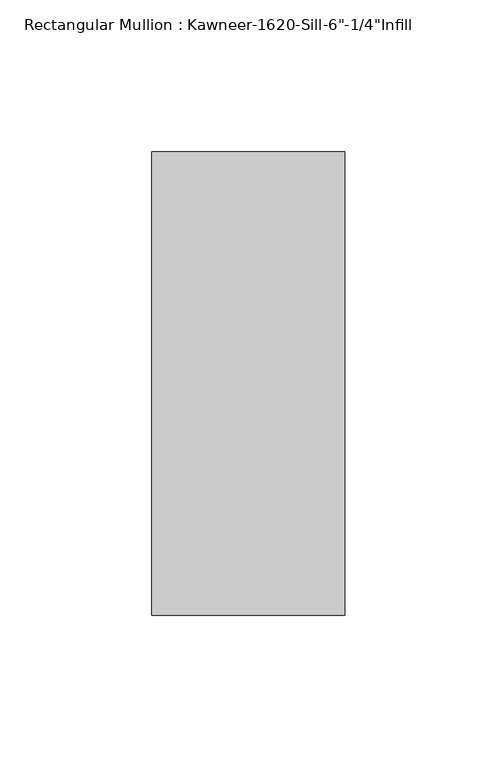
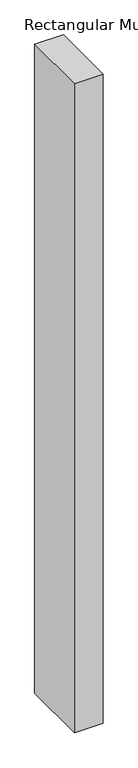
"""IFC4 building model written with IfcOpenShell, lengths in millimetres: member geometry."""

import ifcopenshell
import ifcopenshell.guid

model = None  # the IFC model being written
_history = None  # IfcOwnerHistory: only IFC2X3 demands one
_inside = {}  # id of a spatial element -> (the spatial element, [elements in it])
_under = {}  # id of a project, library or spatial element -> (it, [spatial elements below it])
_declared = {}  # id of a project -> (the project, [libraries it declares])
_typed = {}  # id of a type object -> (the type object, [elements of that type])
_made_of = {}  # id of a material, layer set ... -> (it, [elements and type objects made of it])


def new_model(schema):
    """Start an empty IFC model of exactly this schema.

    Asked for "IFC4X3", IfcOpenShell would pick the latest addendum, in which some entities
    have other attributes; the version numbers below select the first issue.
    IFC2X3 requires an IfcOwnerHistory on every rooted entity: one is made here for all.
    """
    global model, _history
    if schema == "IFC4X3":
        model = ifcopenshell.file(schema_version=(4, 3, 0, 0))
    else:
        model = ifcopenshell.file(schema=schema)
    _inside.clear()
    _under.clear()
    _declared.clear()
    _typed.clear()
    _made_of.clear()
    _history = None
    if model.schema == "IFC2X3":
        org = make("IfcOrganization", Name="unknown")
        user = make(
            "IfcPersonAndOrganization",
            ThePerson=make("IfcPerson", FamilyName="unknown"),
            TheOrganization=org,
        )
        app = make(
            "IfcApplication",
            ApplicationDeveloper=org,
            Version="unknown",
            ApplicationFullName="unknown",
            ApplicationIdentifier="unknown",
        )
        _history = make(
            "IfcOwnerHistory",
            OwningUser=user,
            OwningApplication=app,
            ChangeAction="ADDED",
            CreationDate=0,
        )
    return model


def make(cls, **values):
    """One entity of the class cls with the attributes given. An attribute that is None is left unset."""
    return model.create_entity(
        cls, **{name: value for name, value in values.items() if value is not None}
    )


def rooted(cls, **values):
    """An entity with a GlobalId (a new one), such as an element, a storey or a relation."""
    return make(cls, GlobalId=ifcopenshell.guid.new(), OwnerHistory=_history, **values)


def si_unit(unit_type, name, prefix=None):
    """IfcSIUnit, for example si_unit("LENGTHUNIT", "METRE", prefix="MILLI")."""
    return make("IfcSIUnit", UnitType=unit_type, Prefix=prefix, Name=name)


def assignment(units):
    """IfcUnitAssignment: the units of a project."""
    return None if units is None else make("IfcUnitAssignment", Units=units)


def point(xyz):
    """IfcCartesianPoint."""
    return None if xyz is None else make("IfcCartesianPoint", Coordinates=xyz)


def direction(xyz):
    """IfcDirection."""
    return None if xyz is None else make("IfcDirection", DirectionRatios=xyz)


def frame(location, z_axis=None, x_axis=None):
    """IfcAxis2Placement3D, a coordinate frame: its origin and axes. An axis left out is left unset."""
    return make(
        "IfcAxis2Placement3D",
        Location=point(location),
        Axis=direction(z_axis),
        RefDirection=direction(x_axis),
    )


def origin():
    """The frame at (0, 0, 0) with its axes left unset."""
    return frame((0.0, 0.0, 0.0))


def place(relative_to, where):
    """IfcLocalPlacement: puts the frame where relative to a parent placement (None: the world)."""
    return make(
        "IfcLocalPlacement", PlacementRelTo=relative_to, RelativePlacement=where
    )


def context(
    kind, dimensions, precision=None, world=None, true_north=None, identifier=None
):
    """IfcGeometricRepresentationContext, for example the 3D "Model" context."""
    return make(
        "IfcGeometricRepresentationContext",
        ContextIdentifier=identifier,
        ContextType=kind,
        CoordinateSpaceDimension=dimensions,
        Precision=precision,
        WorldCoordinateSystem=world,
        TrueNorth=true_north,
    )


def project(units=None, contexts=None):
    """IfcProject with its units and contexts."""
    return rooted(
        "IfcProject",
        Name="project",
        RepresentationContexts=contexts,
        UnitsInContext=assignment(units),
    )


def spatial(cls, under=None, at=None, **own):
    """A site, building, storey or space (cls), placed at a placement, below another one or the project."""
    s = rooted(cls, ObjectPlacement=at, **own)
    if under is not None:
        _under.setdefault(under.id(), (under, []))[1].append(s)
    return s


def polyline(points):
    """IfcPolyline through the points."""
    return make("IfcPolyline", Points=[point(p) for p in points])


def outline(outer, holes=None, kind="AREA"):
    """IfcArbitraryClosedProfileDef: a profile drawn as a closed curve; with holes, ...WithVoids."""
    if holes is None:
        return make("IfcArbitraryClosedProfileDef", ProfileType=kind, OuterCurve=outer)
    return make(
        "IfcArbitraryProfileDefWithVoids",
        ProfileType=kind,
        OuterCurve=outer,
        InnerCurves=holes,
    )


def extrude(swept, where, along, depth):
    """IfcExtrudedAreaSolid: the profile swept, set in the frame where, extruded along a direction by depth."""
    return make(
        "IfcExtrudedAreaSolid",
        SweptArea=swept,
        Position=where,
        ExtrudedDirection=direction(along),
        Depth=depth,
    )


def shape(context_of_items, identifier, shape_type, items):
    """IfcShapeRepresentation: the items that make up one representation, for example the "Body"."""
    return make(
        "IfcShapeRepresentation",
        ContextOfItems=context_of_items,
        RepresentationIdentifier=identifier,
        RepresentationType=shape_type,
        Items=items,
    )


def source(mapping_origin, context_of_items, identifier, shape_type, items):
    """IfcRepresentationMap: a shape defined once, which mapped items show again and again."""
    return make(
        "IfcRepresentationMap",
        MappingOrigin=mapping_origin,
        MappedRepresentation=shape(context_of_items, identifier, shape_type, items),
    )


def transform(
    local_origin,
    x_axis=None,
    y_axis=None,
    z_axis=None,
    scale=None,
    scale2=None,
    scale3=None,
    uniform=True,
):
    """IfcCartesianTransformationOperator3D, or its non-uniform kind. x_axis, y_axis, z_axis: its Axis1, 2, 3."""
    if uniform:
        return make(
            "IfcCartesianTransformationOperator3D",
            Axis1=direction(x_axis),
            Axis2=direction(y_axis),
            LocalOrigin=point(local_origin),
            Scale=scale,
            Axis3=direction(z_axis),
        )
    return make(
        "IfcCartesianTransformationOperator3DnonUniform",
        Axis1=direction(x_axis),
        Axis2=direction(y_axis),
        LocalOrigin=point(local_origin),
        Scale=scale,
        Axis3=direction(z_axis),
        Scale2=scale2,
        Scale3=scale3,
    )


def mapped(mapping_source, mapping_target):
    """IfcMappedItem: shows the shape of a source again, moved by a transform."""
    return make(
        "IfcMappedItem", MappingSource=mapping_source, MappingTarget=mapping_target
    )


def made_of(thing, what):
    """Note that an element or type object is made of a material, layer set ...; save() writes the relation."""
    if what is not None:
        _made_of.setdefault(what.id(), (what, []))[1].append(thing)
    return thing


def element(
    cls,
    number,
    at=None,
    inside=None,
    cuts=None,
    type_object=None,
    material=None,
    context=None,
    identifier="Body",
    shape_type=None,
    held_by="IfcProductDefinitionShape",
    body=None,
    shapes=None,
    **own,
):
    """One element of the class cls, such as IfcWall. Its Tag is "e" and its number.

    at: its placement. inside: the storey or other place that contains it. cuts: it is an
    opening in that element (IfcRelVoidsElement). A single representation is given by context,
    identifier, shape_type and body (its items); several are given by shapes. held_by: the class
    of the entity that holds the representations. save() writes the other relations.
    """
    e = rooted(cls, Tag="e%d" % number, ObjectPlacement=at, **own)
    if body is not None:
        shapes = [shape(context, identifier, shape_type, body)]
    if shapes is not None:
        e.Representation = make(held_by, Representations=shapes)
    if inside is not None:
        _inside.setdefault(inside.id(), (inside, []))[1].append(e)
    if cuts is not None:
        rooted(
            "IfcRelVoidsElement", RelatingBuildingElement=cuts, RelatedOpeningElement=e
        )
    if type_object is not None:
        _typed.setdefault(type_object.id(), (type_object, []))[1].append(e)
    return made_of(e, material)


def aggregate(whole, parts):
    """IfcRelAggregates: a whole, such as a stair, and the parts it consists of."""
    return rooted("IfcRelAggregates", RelatingObject=whole, RelatedObjects=parts)


def save(model, path):
    """Write the relations noted so far, then the file.

    IfcRelAggregates (storeys below a building ...), IfcRelContainedInSpatialStructure (elements
    in a storey), IfcRelDefinesByType, IfcRelAssociatesMaterial and IfcRelDeclares: one each for
    every whole, place, type object, material and project.
    """
    for whole, parts in _under.values():
        aggregate(whole, parts)
    for where, things in _inside.values():
        rooted(
            "IfcRelContainedInSpatialStructure",
            RelatedElements=things,
            RelatingStructure=where,
        )
    for kind, things in _typed.values():
        rooted("IfcRelDefinesByType", RelatedObjects=things, RelatingType=kind)
    for what, things in _made_of.values():
        rooted("IfcRelAssociatesMaterial", RelatedObjects=things, RelatingMaterial=what)
    for by, libraries in _declared.values():
        rooted("IfcRelDeclares", RelatingContext=by, RelatedDefinitions=libraries)
    model.write(path)


def member_437e7aeb(model_context):
    return source(origin(), model_context, "Body", "SweptSolid", [
        extrude(outline(polyline([(22.225, 28.575), (22.225, -123.825), (-41.275, -123.825), (-41.275, 28.575), (22.225, 28.575)])), frame((0.0, 0.0, -1524.0), z_axis=(0.0, 0.0, 1.0), x_axis=(1.0, 0.0, 0.0)), (0.0, 0.0, 1.0), 1524.0),
    ])


if __name__ == "__main__":
    model = new_model("IFC4")
    model_context = context("Model", 3, world=origin())
    ifc_project = project(units=[si_unit("LENGTHUNIT", "METRE", prefix="MILLI")], contexts=[model_context])
    site = spatial("IfcSite", under=ifc_project)
    building = spatial("IfcBuilding", under=site)
    placement = place(None, origin())
    member_shape = member_437e7aeb(model_context)
    element("IfcMember", 1, ObjectType="Rectangular Mullion : Kawneer-1620-Sill-6\"-1/4\"Infill", at=placement, inside=building, context=model_context, shape_type="MappedRepresentation", body=[
        mapped(member_shape, transform((0.0, 0.0, 0.0), x_axis=(1.0, 0.0, 0.0), y_axis=(0.0, 1.0, 0.0), z_axis=(0.0, 0.0, 1.0))),
    ])
    save(model, "model.ifc")
